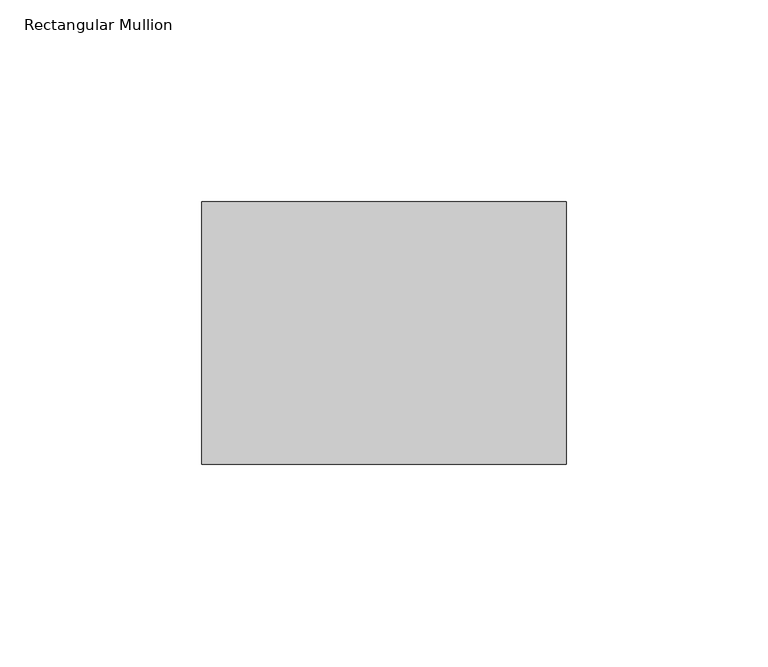
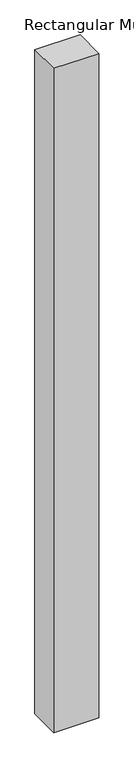
"""IFC4 building model written with IfcOpenShell, lengths in millimetres: member geometry, Rectangular Mullion."""

from ifc_helpers import new_model, si_unit, frame, origin, place, context, project, spatial, polyline, outline, extrude, source, transform, mapped, element, save


def rectangular_mullion_e30814c1(model_context):
    return source(origin(), model_context, "Body", "SweptSolid", [
        extrude(outline(polyline([(45.24375, -46.0375), (-45.24375, -46.0375), (-45.24375, 19.05), (45.24375, 19.05), (45.24375, -46.0375)])), frame((0.0, 0.0, -1408.90625), z_axis=(0.0, 0.0, 1.0), x_axis=(1.0, 0.0, 0.0)), (0.0, 0.0, 1.0), 1408.90625),
    ])


if __name__ == "__main__":
    model = new_model("IFC4")
    model_context = context("Model", 3, world=origin())
    ifc_project = project(units=[si_unit("LENGTHUNIT", "METRE", prefix="MILLI")], contexts=[model_context])
    site = spatial("IfcSite", under=ifc_project)
    building = spatial("IfcBuilding", under=site)
    placement = place(None, origin())
    rectangular_mullion_shape = rectangular_mullion_e30814c1(model_context)
    element("IfcMember", 1, ObjectType="Rectangular Mullion", at=placement, inside=building, context=model_context, shape_type="MappedRepresentation", body=[
        mapped(rectangular_mullion_shape, transform((0.0, 0.0, 0.0), x_axis=(1.0, 0.0, 0.0), y_axis=(0.0, 1.0, 0.0), z_axis=(0.0, 0.0, 1.0))),
    ])
    save(model, "model.ifc")
